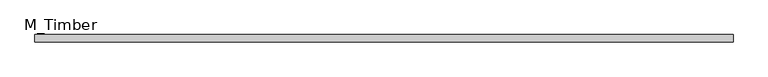
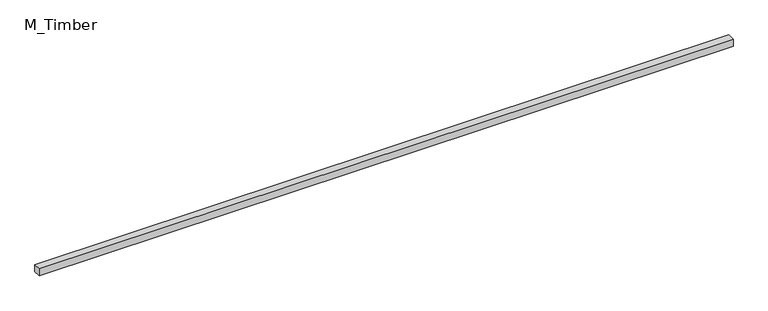
"""IFC4 building model written with IfcOpenShell, lengths in millimetres: beam geometry, M_Timber."""

from ifc_helpers import new_model, si_unit, frame, origin, place, context, project, spatial, polyline, outline, extrude, source, transform, mapped, element, save


def m_timber_6461e262(model_context):
    return source(origin(), model_context, "Body", "SweptSolid", [
        extrude(outline(polyline([(1869.8552005, 20.0), (1869.8552005, -20.0), (-1869.8552005, -20.0), (-1869.8552005, 20.0), (1869.8552005, 20.0)])), frame((0.0, 0.0, -20.0), z_axis=(0.0, 0.0, 1.0), x_axis=(1.0, 0.0, 0.0)), (0.0, 0.0, 1.0), 40.0),
    ])


if __name__ == "__main__":
    model = new_model("IFC4")
    model_context = context("Model", 3, world=origin())
    ifc_project = project(units=[si_unit("LENGTHUNIT", "METRE", prefix="MILLI")], contexts=[model_context])
    site = spatial("IfcSite", under=ifc_project)
    building = spatial("IfcBuilding", under=site)
    placement = place(None, origin())
    m_timber_shape = m_timber_6461e262(model_context)
    element("IfcBeam", 1, ObjectType="M_Timber", at=placement, inside=building, context=model_context, shape_type="MappedRepresentation", body=[
        mapped(m_timber_shape, transform((0.0, 0.0, 0.0), x_axis=(1.0, 0.0, 0.0), y_axis=(0.0, 1.0, 0.0), z_axis=(0.0, 0.0, 1.0))),
    ])
    save(model, "model.ifc")
